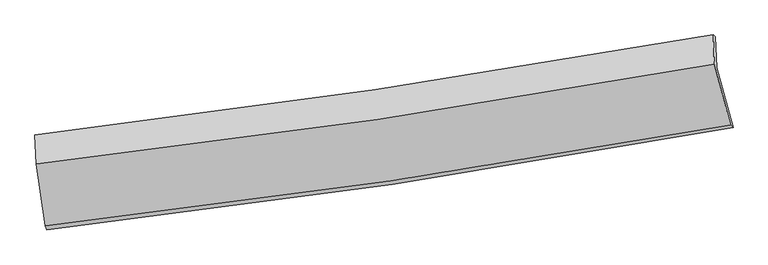
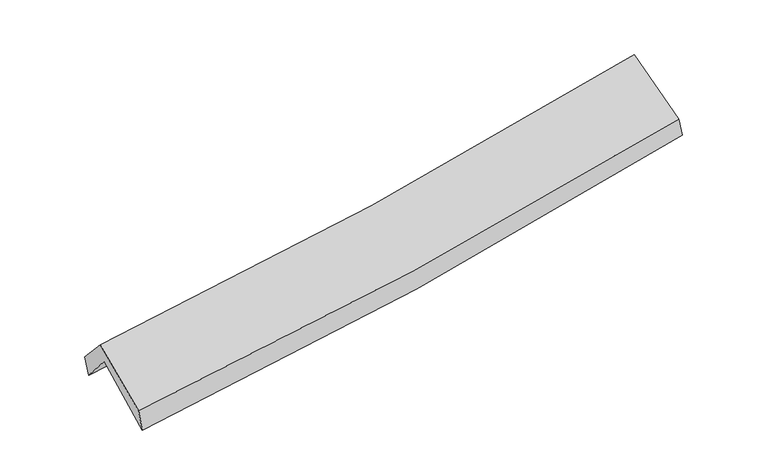
"""IFC4 building model written with IfcOpenShell, lengths in millimetres: proxy geometry."""

from ifc_helpers import new_model, si_unit, frame, origin, place, context, project, spatial, source, transform, mapped, element, save
from ifc_brep_helpers import plane_surface, spline_curve, spline_surface, advanced_brep


def generic_models_03f21d58(model_context):
    return source(origin(), model_context, "Body", "AdvancedBrep", [
        advanced_brep(
        [(-2836.3920677, -2511.4320598, 1455.2998317), (-2913.5853047, -1997.1735313, 1888.8677616), (2839.3119602, -1136.0106656, 2395.9026394), (2976.5815481, -1642.417903, 1967.031606), (-2922.880943, -1748.8594527, 1592.6853545), (2827.5359319, -872.1125399, 2097.6933672), (-2937.0120207, -1706.2776496, 1768.428283), (2808.6711533, -857.3730617, 2239.9903628), (-2926.4639034, -1952.2685967, 2037.6370878), (2817.8969912, -1103.8225633, 2533.9487522), (-2850.2318556, -2475.7952987, 1638.7610177), (2954.67595, -1623.8666848, 2130.0835493)],
        [
            (0, 1),
            (1, 2, spline_curve(3, [(-2913.5853047, -1997.1735313, 1888.8677616), (-1944.815216963, -1886.226206955, 1943.762412287), (-979.770327122, -1758.756771482, 2013.613080525), (937.823090192, -1471.529489039, 2182.781302843), (1890.410621869, -1311.944635944, 2281.942260186), (2839.3119602, -1136.0106656, 2395.9026394)], [4, 2, 4], [0.0, 9.656661390196216, 19.26263497211324])),
            (2, 3),
            (3, 0, spline_curve(3, [(2976.5815481, -1642.417903, 1967.031606), (2018.489432942, -1819.337246749, 1852.533558351), (1056.314370531, -1980.066918468, 1752.713708327), (-881.300298899, -2269.909610857, 1581.981136603), (-1856.783108561, -2398.8513247, 1511.223728628), (-2836.3920677, -2511.4320598, 1455.2998317)], [4, 2, 4], [0.0, 9.605973581917024, 19.26263497211324])),
            (1, 4),
            (4, 5, spline_curve(3, [(-2922.880943, -1748.8594527, 1592.6853545), (-1953.787393333, -1638.040089633, 1644.950538744), (-988.788986581, -1509.328951965, 1713.320138025), (927.973760282, -1216.89264601, 1881.824762938), (1879.780978501, -1053.354812737, 1981.791167838), (2827.5359319, -872.1125399, 2097.6933672)], [4, 2, 4], [0.0, 9.606725629687443, 19.163025563864554])),
            (5, 2),
            (4, 6),
            (6, 7, spline_curve(3, [(-2937.0120207, -1706.2776496, 1768.428283), (-1971.287011078, -1591.369602815, 1821.594219595), (-1008.364996191, -1462.951923333, 1887.611161513), (906.833380185, -1179.84227522, 2044.933077095), (1859.139089723, -1025.291758798, 2136.10349522), (2808.6711533, -857.3730617, 2239.9903628)], [4, 2, 4], [0.0, 9.596400523250914, 19.142429547467312])),
            (7, 5),
            (6, 8),
            (8, 9, spline_curve(3, [(-2926.4639034, -1952.2685967, 2037.6370878), (-1959.776612199, -1842.771783528, 2092.754065505), (-996.485493217, -1717.091015795, 2161.817294547), (918.265912373, -1434.106217827, 2327.400539551), (1869.761758309, -1276.971641417, 2423.774531808), (2817.8969912, -1103.8225633, 2533.9487522)], [4, 2, 4], [0.0, 9.587133574301404, 19.12394429177627])),
            (9, 7),
            (8, 10),
            (10, 11, spline_curve(3, [(-2850.2318556, -2475.7952987, 1638.7610177), (-1872.903281272, -2365.70498274, 1695.1588459), (-899.23335684, -2239.436499878, 1764.442863247), (1035.697604198, -1955.290902479, 1928.351964603), (1996.996948289, -1797.583180824, 2022.842124422), (2954.67595, -1623.8666848, 2130.0835493)], [4, 2, 4], [0.0, 9.637121440991478, 19.22365763888225])),
            (11, 9),
            (10, 0),
            (3, 11),
        ],
        [
            spline_surface(3, 3, [[(-2836.3920677, -2511.4320598, 1455.2998317), (-1856.783108424, -2398.851324828, 1511.223728656), (-881.300298836, -2269.909610839, 1581.981136679), (1056.314370469, -1980.066918486, 1752.713708252), (2018.489432812, -1819.337246871, 1852.53355835), (2976.5815481, -1642.417903, 1967.031606)], [(-2862.123146705, -2340.012550289, 1599.822474988), (-1886.127144565, -2227.976285572, 1655.403289827), (-914.123641561, -2099.525331053, 1725.858451303), (1016.817277028, -1810.554441999, 1896.069573065), (1975.796495858, -1650.20637659, 1995.669792332), (2930.825018804, -1473.615490516, 2109.988617153)], [(-2887.854225695, -2168.593040811, 1744.345118312), (-1915.471180691, -2057.101246349, 1799.582851036), (-946.946984318, -1929.141051274, 1869.735765991), (977.320183555, -1641.04196552, 2039.425437941), (1933.103558891, -1481.075506361, 2138.806026255), (2885.068489496, -1304.813078084, 2252.945628247)], [(-2913.5853047, -1997.1735313, 1888.8677616), (-1944.815216832, -1886.226207093, 1943.762412208), (-979.770327043, -1758.756771487, 2013.613080615), (937.823090114, -1471.529489033, 2182.781302754), (1890.410621937, -1311.94463608, 2281.942260237), (2839.3119602, -1136.0106656, 2395.9026394)]], [4, 4], [4, 2, 4], [0.0, 2.2187327836330004], [0.0, 9.656661390196216, 19.26263497211324]),
            spline_surface(3, 3, [[(-2913.5853047, -1997.1735313, 1888.8677616), (-1944.815216832, -1886.226207093, 1943.762412208), (-979.770327043, -1758.756771487, 2013.613080615), (937.823090114, -1471.529489033, 2182.781302754), (1890.410621937, -1311.94463608, 2281.942260237), (2839.3119602, -1136.0106656, 2395.9026394)], [(-2916.683850799, -1914.40217177, 1790.140292588), (-1947.805942345, -1803.497501258, 1844.158454424), (-982.776546929, -1675.614164965, 1913.515433136), (934.53998017, -1386.65054139, 2082.462456102), (1886.867407472, -1225.748028332, 2181.891896032), (2835.386617416, -1048.044623692, 2296.49954864)], [(-2919.782396901, -1831.63081223, 1691.412823512), (-1950.79666786, -1720.768795413, 1744.554496576), (-985.782766756, -1592.471558418, 1813.41778565), (931.256870286, -1301.771593722, 1982.143609444), (1883.324193058, -1139.551420608, 2081.841531906), (2831.461274684, -960.078581808, 2197.09645796)], [(-2922.880943, -1748.8594527, 1592.6853545), (-1953.787393372, -1638.040089578, 1644.950538792), (-988.788986642, -1509.328951896, 1713.320138171), (927.973760343, -1216.892646079, 1881.824762793), (1879.780978593, -1053.35481286, 1981.791167701), (2827.5359319, -872.1125399, 2097.6933672)]], [4, 4], [4, 2, 4], [0.0, 1.2873964379254363], [0.0, 9.606725629687443, 19.163025563864554]),
            spline_surface(3, 3, [[(-2922.880943, -1748.8594527, 1592.6853545), (-1953.787393372, -1638.040089578, 1644.950538792), (-988.788986642, -1509.328951896, 1713.320138171), (927.973760343, -1216.892646079, 1881.824762793), (1879.780978593, -1053.35481286, 1981.791167701), (2827.5359319, -872.1125399, 2097.6933672)], [(-2927.591302252, -1734.665518315, 1651.266330655), (-1959.620599241, -1622.483260616, 1703.831765759), (-995.314323103, -1493.869942326, 1771.417145947), (920.926966912, -1204.542522497, 1936.194200926), (1872.900348997, -1044.000461545, 2033.228610269), (2821.247672374, -867.199380496, 2145.125699083)], [(-2932.301661448, -1720.471583985, 1709.847306845), (-1965.453805055, -1606.926431707, 1762.712992761), (-1001.83965958, -1478.410932773, 1829.51415368), (913.880173467, -1192.192398931, 1990.563639018), (1866.019719379, -1034.646110243, 2084.666052787), (2814.959412826, -862.286221104, 2192.558030917)], [(-2937.0120207, -1706.2776496, 1768.428283), (-1971.287010924, -1591.369602744, 1821.594219729), (-1008.364996041, -1462.951923204, 1887.611161456), (906.833380036, -1179.842275349, 2044.933077151), (1859.139089783, -1025.291758928, 2136.103495354), (2808.6711533, -857.3730617, 2239.9903628)]], [4, 4], [4, 2, 4], [0.0, 0.5741549076105372], [0.0, 9.596400523250914, 19.142429547467312]),
            spline_surface(3, 3, [[(-2937.0120207, -1706.2776496, 1768.428283), (-1971.287010924, -1591.369602744, 1821.594219729), (-1008.364996041, -1462.951923204, 1887.611161456), (906.833380036, -1179.842275349, 2044.933077151), (1859.139089783, -1025.291758928, 2136.103495354), (2808.6711533, -857.3730617, 2239.9903628)], [(-2933.495981601, -1788.274631984, 1858.164551268), (-1967.450211301, -1675.170329717, 1911.980834955), (-1004.405161724, -1547.664954028, 1979.013205842), (910.644224138, -1264.59692289, 2139.088897956), (1862.679979252, -1109.185053117, 2231.993840844), (2811.746432585, -939.522895582, 2337.976492603)], [(-2929.979942499, -1870.271614316, 1947.900819532), (-1963.613411676, -1758.971056638, 2002.367450177), (-1000.445327454, -1632.377984839, 2070.415250188), (914.455068192, -1349.351570418, 2233.24471872), (1866.220868766, -1193.07834726, 2327.884186324), (2814.821711915, -1021.672729418, 2435.962622397)], [(-2926.4639034, -1952.2685967, 2037.6370878), (-1959.776612053, -1842.771783611, 2092.754065403), (-996.485493137, -1717.091015663, 2161.817294574), (918.265912293, -1434.106217959, 2327.400539525), (1869.761758235, -1276.971641449, 2423.774531814), (2817.8969912, -1103.8225633, 2533.9487522)]], [4, 4], [4, 2, 4], [0.0, 1.2372437914442291], [0.0, 9.587133574301404, 19.12394429177627]),
            spline_surface(3, 3, [[(-2926.4639034, -1952.2685967, 2037.6370878), (-1959.776612053, -1842.771783611, 2092.754065403), (-996.485493137, -1717.091015663, 2161.817294574), (918.265912293, -1434.106217959, 2327.400539525), (1869.761758235, -1276.971641449, 2423.774531814), (2817.8969912, -1103.8225633, 2533.9487522)], [(-2901.053220784, -2126.777497369, 1904.678397759), (-1930.8188351, -2017.082849975, 1960.222325581), (-964.068114349, -1891.206177032, 2029.359150782), (957.409809546, -1607.834446137, 2194.384347866), (1912.173488203, -1450.508821229, 2290.130396034), (2863.489977467, -1277.170603791, 2399.327017885)], [(-2875.642538216, -2301.286398031, 1771.719707741), (-1901.861058196, -2191.393916334, 1827.690585784), (-931.65073552, -2065.321338448, 1896.901007042), (996.553706839, -1781.562674361, 2061.368156258), (1954.585218171, -1624.046001036, 2156.486260299), (2909.082963733, -1450.518644309, 2264.705283615)], [(-2850.2318556, -2475.7952987, 1638.7610177), (-1872.903281242, -2365.704982698, 1695.158845962), (-899.233356733, -2239.436499818, 1764.44286325), (1035.697604091, -1955.290902539, 1928.351964599), (1996.996948139, -1797.583180816, 2022.842124518), (2954.67595, -1623.8666848, 2130.0835493)]], [4, 4], [4, 2, 4], [0.0, 2.1819972768729614], [0.0, 9.637121440991478, 19.22365763888225]),
            spline_surface(3, 3, [[(-2850.2318556, -2475.7952987, 1638.7610177), (-1872.903281242, -2365.704982698, 1695.158845962), (-899.233356733, -2239.436499818, 1764.44286325), (1035.697604091, -1955.290902539, 1928.351964599), (1996.996948139, -1797.583180816, 2022.842124518), (2954.67595, -1623.8666848, 2130.0835493)], [(-2845.618592959, -2487.674219073, 1577.607289042), (-1867.529890295, -2376.753763414, 1633.847140202), (-893.255670765, -2249.594203502, 1703.622287735), (1042.569859552, -1963.549574532, 1869.805879159), (2004.161109717, -1804.834536191, 1966.072602464), (2961.977816054, -1630.050424223, 2075.732901536)], [(-2841.005330341, -2499.553139427, 1516.453560358), (-1862.15649937, -2387.802544112, 1572.535434415), (-887.277984803, -2259.751907155, 1642.801712194), (1049.442115008, -1971.808246493, 1811.259793693), (2011.325271234, -1812.085891496, 1909.303080404), (2969.279682046, -1636.234163577, 2021.382253764)], [(-2836.3920677, -2511.4320598, 1455.2998317), (-1856.783108424, -2398.851324828, 1511.223728656), (-881.300298836, -2269.909610839, 1581.981136679), (1056.314370469, -1980.066918486, 1752.713708252), (2018.489432812, -1819.337246871, 1852.53355835), (2976.5815481, -1642.417903, 1967.031606)]], [4, 4], [4, 2, 4], [0.0, 0.5978020669178696], [0.0, 9.696363835530386, 19.34183146467627]),
            plane_surface(frame((2870.7789225, -1205.933903, 2227.4417128), z_axis=(0.9789737240103673, 0.17039988514297835, 0.11213530595014665), x_axis=(0.20338761166153688, -0.7732953427388262, -0.6005395843081931))),
            plane_surface(frame((-2897.7610159, -2065.3010981, 1730.2798894), z_axis=(-0.9931882155140866, -0.10274195695208566, -0.05496597898336904), x_axis=(-0.07385078517159158, 0.1901620750598213, 0.9789711163964351))),
        ],
        [
            (0, [[1, 2, 3, 4]]),
            (1, [[5, 6, 7, -2]]),
            (2, [[8, 9, 10, -6]]),
            (3, [[11, 12, 13, -9]]),
            (4, [[14, 15, 16, -12]]),
            (5, [[17, -4, 18, -15]]),
            (6, [[-16, -18, -3, -7, -10, -13]]),
            (7, [[-17, -14, -11, -8, -5, -1]]),
        ],
    ),
    ])


if __name__ == "__main__":
    model = new_model("IFC4")
    model_context = context("Model", 3, world=origin())
    ifc_project = project(units=[si_unit("LENGTHUNIT", "METRE", prefix="MILLI")], contexts=[model_context])
    site = spatial("IfcSite", under=ifc_project)
    building = spatial("IfcBuilding", under=site)
    placement = place(None, origin())
    generic_models_shape = generic_models_03f21d58(model_context)
    element("IfcBuildingElementProxy", 1, Name="Generic Models", at=placement, inside=building, context=model_context, shape_type="MappedRepresentation", body=[
        mapped(generic_models_shape, transform((0.0, 0.0, 0.0), x_axis=(1.0, 0.0, 0.0), y_axis=(0.0, 1.0, 0.0), z_axis=(0.0, 0.0, 1.0))),
    ])
    save(model, "model.ifc")
